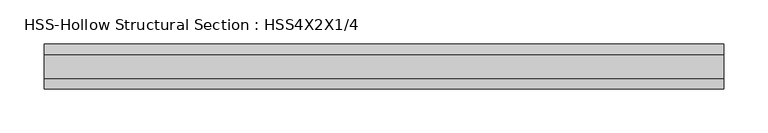
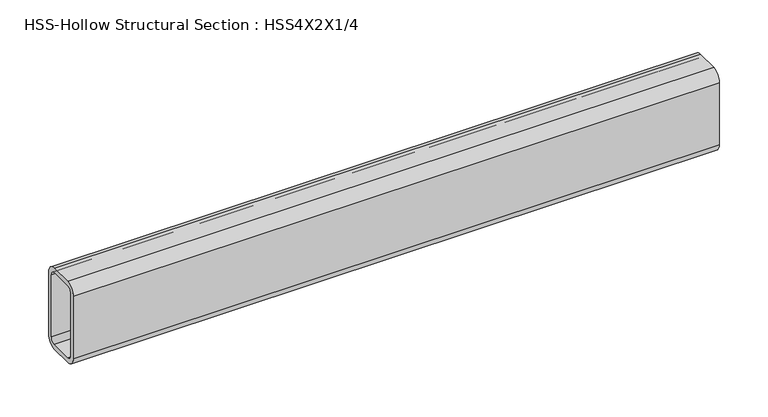
"""IFC4 building model written with IfcOpenShell, lengths in millimetres: beam geometry, HSS-Hollow Structural Section : HSS4X2X1/4."""

from ifc_helpers import new_model, si_unit, point, frame, frame_2d, origin, place, context, project, spatial, polyline, circle_curve, trimmed, segment, composite_curve, outline, extrude, source, transform, mapped, element, save


def hss_hollow_structural_section_hss4x2x1_4_cd9a84b8(model_context):
    return source(origin(), model_context, "Body", "SweptSolid", [
        extrude(outline(composite_curve([segment(polyline([(25.4, 38.9636), (25.4, -38.9636)]), True, "CONTINUOUS"), segment(trimmed(circle_curve(frame_2d((13.5636, -38.9636)), 11.8364), [point((25.4, -38.9636))], [point((13.5636, -50.8))], False, "CARTESIAN"), True, "CONTINUOUS"), segment(polyline([(13.5636, -50.8), (-13.5636, -50.8)]), True, "CONTINUOUS"), segment(trimmed(circle_curve(frame_2d((-13.5636, -38.9636)), 11.8364), [point((-13.5636, -50.8))], [point((-25.4, -38.9636))], False, "CARTESIAN"), True, "CONTINUOUS"), segment(polyline([(-25.4, -38.9636), (-25.4, 38.9636)]), True, "CONTINUOUS"), segment(trimmed(circle_curve(frame_2d((-13.5636, 38.9636)), 11.8364), [point((-25.4, 38.9636))], [point((-13.5636, 50.8))], False, "CARTESIAN"), True, "CONTINUOUS"), segment(polyline([(-13.5636, 50.8), (13.5636, 50.8)]), True, "CONTINUOUS"), segment(trimmed(circle_curve(frame_2d((13.5636, 38.9636)), 11.8364), [point((13.5636, 50.8))], [point((25.4, 38.9636))], False, "CARTESIAN"), True, "CONTINUOUS")], self_intersect=False), holes=[composite_curve([segment(trimmed(circle_curve(frame_2d((-13.5636, 38.9636)), 5.9182), [point((-13.5636, 44.8818))], [point((-19.4818, 38.9636))], True, "CARTESIAN"), True, "CONTINUOUS"), segment(polyline([(-19.4818, 38.9636), (-19.4818, -38.9636)]), True, "CONTINUOUS"), segment(trimmed(circle_curve(frame_2d((-13.5636, -38.9636)), 5.9182), [point((-19.4818, -38.9636))], [point((-13.5636, -44.8818))], True, "CARTESIAN"), True, "CONTINUOUS"), segment(polyline([(-13.5636, -44.8818), (13.5636, -44.8818)]), True, "CONTINUOUS"), segment(trimmed(circle_curve(frame_2d((13.5636, -38.9636)), 5.9182), [point((13.5636, -44.8818))], [point((19.4818, -38.9636))], True, "CARTESIAN"), True, "CONTINUOUS"), segment(polyline([(19.4818, -38.9636), (19.4818, 38.9636)]), True, "CONTINUOUS"), segment(trimmed(circle_curve(frame_2d((13.5636, 38.9636)), 5.9182), [point((19.4818, 38.9636))], [point((13.5636, 44.8818))], True, "CARTESIAN"), True, "CONTINUOUS"), segment(polyline([(13.5636, 44.8818), (-13.5636, 44.8818)]), True, "CONTINUOUS")], self_intersect=False)]), frame((-371.0711201, 0.0, 0.0), z_axis=(1.0, 0.0, 0.0), x_axis=(0.0, 1.0, 0.0)), (0.0, 0.0, 1.0), 767.9451296),
    ])


if __name__ == "__main__":
    model = new_model("IFC4")
    model_context = context("Model", 3, world=origin())
    ifc_project = project(units=[si_unit("LENGTHUNIT", "METRE", prefix="MILLI")], contexts=[model_context])
    site = spatial("IfcSite", under=ifc_project)
    building = spatial("IfcBuilding", under=site)
    placement = place(None, origin())
    hss_hollow_structural_section_hss4x2x1_4_shape = hss_hollow_structural_section_hss4x2x1_4_cd9a84b8(model_context)
    element("IfcBeam", 1, ObjectType="HSS-Hollow Structural Section : HSS4X2X1/4", at=placement, inside=building, context=model_context, shape_type="MappedRepresentation", body=[
        mapped(hss_hollow_structural_section_hss4x2x1_4_shape, transform((0.0, 0.0, 0.0), x_axis=(1.0, 0.0, 0.0), y_axis=(0.0, 1.0, 0.0), z_axis=(0.0, 0.0, 1.0))),
    ])
    save(model, "model.ifc")
